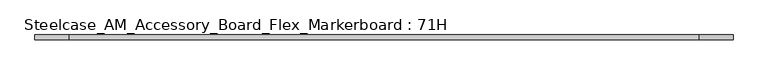
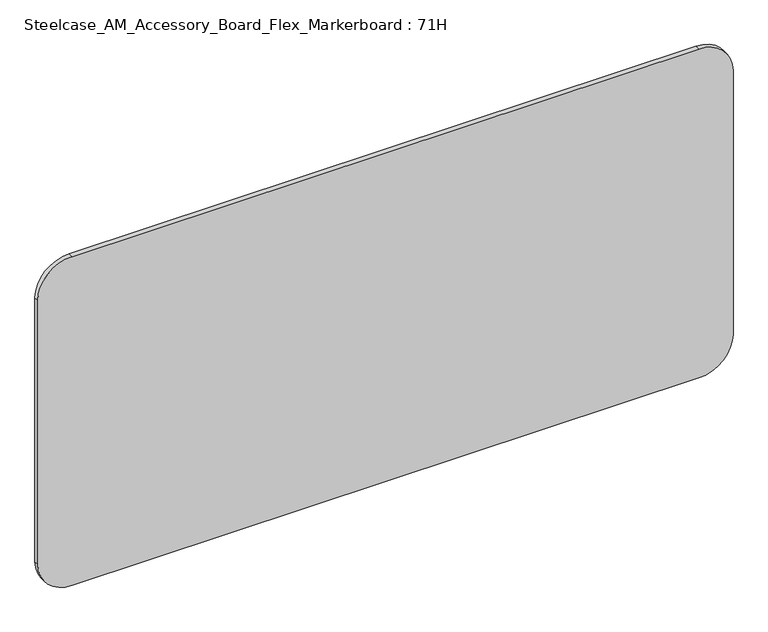
"""IFC4 building model written with IfcOpenShell, lengths in millimetres: furniture geometry, Steelcase_AM_Accessory_Board_Flex_Markerboard : 71H."""

import ifcopenshell
import ifcopenshell.guid

model = None  # the IFC model being written
_history = None  # IfcOwnerHistory: only IFC2X3 demands one
_inside = {}  # id of a spatial element -> (the spatial element, [elements in it])
_under = {}  # id of a project, library or spatial element -> (it, [spatial elements below it])
_declared = {}  # id of a project -> (the project, [libraries it declares])
_typed = {}  # id of a type object -> (the type object, [elements of that type])
_made_of = {}  # id of a material, layer set ... -> (it, [elements and type objects made of it])


def new_model(schema):
    """Start an empty IFC model of exactly this schema.

    Asked for "IFC4X3", IfcOpenShell would pick the latest addendum, in which some entities
    have other attributes; the version numbers below select the first issue.
    IFC2X3 requires an IfcOwnerHistory on every rooted entity: one is made here for all.
    """
    global model, _history
    if schema == "IFC4X3":
        model = ifcopenshell.file(schema_version=(4, 3, 0, 0))
    else:
        model = ifcopenshell.file(schema=schema)
    _inside.clear()
    _under.clear()
    _declared.clear()
    _typed.clear()
    _made_of.clear()
    _history = None
    if model.schema == "IFC2X3":
        org = make("IfcOrganization", Name="unknown")
        user = make(
            "IfcPersonAndOrganization",
            ThePerson=make("IfcPerson", FamilyName="unknown"),
            TheOrganization=org,
        )
        app = make(
            "IfcApplication",
            ApplicationDeveloper=org,
            Version="unknown",
            ApplicationFullName="unknown",
            ApplicationIdentifier="unknown",
        )
        _history = make(
            "IfcOwnerHistory",
            OwningUser=user,
            OwningApplication=app,
            ChangeAction="ADDED",
            CreationDate=0,
        )
    return model


def make(cls, **values):
    """One entity of the class cls with the attributes given. An attribute that is None is left unset."""
    return model.create_entity(
        cls, **{name: value for name, value in values.items() if value is not None}
    )


def rooted(cls, **values):
    """An entity with a GlobalId (a new one), such as an element, a storey or a relation."""
    return make(cls, GlobalId=ifcopenshell.guid.new(), OwnerHistory=_history, **values)


def si_unit(unit_type, name, prefix=None):
    """IfcSIUnit, for example si_unit("LENGTHUNIT", "METRE", prefix="MILLI")."""
    return make("IfcSIUnit", UnitType=unit_type, Prefix=prefix, Name=name)


def assignment(units):
    """IfcUnitAssignment: the units of a project."""
    return None if units is None else make("IfcUnitAssignment", Units=units)


def point(xyz):
    """IfcCartesianPoint."""
    return None if xyz is None else make("IfcCartesianPoint", Coordinates=xyz)


def direction(xyz):
    """IfcDirection."""
    return None if xyz is None else make("IfcDirection", DirectionRatios=xyz)


def frame(location, z_axis=None, x_axis=None):
    """IfcAxis2Placement3D, a coordinate frame: its origin and axes. An axis left out is left unset."""
    return make(
        "IfcAxis2Placement3D",
        Location=point(location),
        Axis=direction(z_axis),
        RefDirection=direction(x_axis),
    )


def frame_2d(location, x_axis=None):
    """IfcAxis2Placement2D, a coordinate frame in the plane: its origin and x axis."""
    return make(
        "IfcAxis2Placement2D", Location=point(location), RefDirection=direction(x_axis)
    )


def origin():
    """The frame at (0, 0, 0) with its axes left unset."""
    return frame((0.0, 0.0, 0.0))


def place(relative_to, where):
    """IfcLocalPlacement: puts the frame where relative to a parent placement (None: the world)."""
    return make(
        "IfcLocalPlacement", PlacementRelTo=relative_to, RelativePlacement=where
    )


def context(
    kind, dimensions, precision=None, world=None, true_north=None, identifier=None
):
    """IfcGeometricRepresentationContext, for example the 3D "Model" context."""
    return make(
        "IfcGeometricRepresentationContext",
        ContextIdentifier=identifier,
        ContextType=kind,
        CoordinateSpaceDimension=dimensions,
        Precision=precision,
        WorldCoordinateSystem=world,
        TrueNorth=true_north,
    )


def project(units=None, contexts=None):
    """IfcProject with its units and contexts."""
    return rooted(
        "IfcProject",
        Name="project",
        RepresentationContexts=contexts,
        UnitsInContext=assignment(units),
    )


def spatial(cls, under=None, at=None, **own):
    """A site, building, storey or space (cls), placed at a placement, below another one or the project."""
    s = rooted(cls, ObjectPlacement=at, **own)
    if under is not None:
        _under.setdefault(under.id(), (under, []))[1].append(s)
    return s


def polyline(points):
    """IfcPolyline through the points."""
    return make("IfcPolyline", Points=[point(p) for p in points])


def circle_curve(where, radius):
    """IfcCircle in the frame where."""
    return make("IfcCircle", Position=where, Radius=radius)


def trimmed(basis, trim1, trim2, sense, master):
    """IfcTrimmedCurve: the piece of a basis curve between two trims."""
    return make(
        "IfcTrimmedCurve",
        BasisCurve=basis,
        Trim1=trim1,
        Trim2=trim2,
        SenseAgreement=sense,
        MasterRepresentation=master,
    )


def segment(curve, same_sense, transition):
    """IfcCompositeCurveSegment."""
    return make(
        "IfcCompositeCurveSegment",
        Transition=transition,
        SameSense=same_sense,
        ParentCurve=curve,
    )


def composite_curve(segments, self_intersect=None):
    """IfcCompositeCurve: segments joined end to end."""
    return make("IfcCompositeCurve", Segments=segments, SelfIntersect=self_intersect)


def outline(outer, holes=None, kind="AREA"):
    """IfcArbitraryClosedProfileDef: a profile drawn as a closed curve; with holes, ...WithVoids."""
    if holes is None:
        return make("IfcArbitraryClosedProfileDef", ProfileType=kind, OuterCurve=outer)
    return make(
        "IfcArbitraryProfileDefWithVoids",
        ProfileType=kind,
        OuterCurve=outer,
        InnerCurves=holes,
    )


def extrude(swept, where, along, depth):
    """IfcExtrudedAreaSolid: the profile swept, set in the frame where, extruded along a direction by depth."""
    return make(
        "IfcExtrudedAreaSolid",
        SweptArea=swept,
        Position=where,
        ExtrudedDirection=direction(along),
        Depth=depth,
    )


def shape(context_of_items, identifier, shape_type, items):
    """IfcShapeRepresentation: the items that make up one representation, for example the "Body"."""
    return make(
        "IfcShapeRepresentation",
        ContextOfItems=context_of_items,
        RepresentationIdentifier=identifier,
        RepresentationType=shape_type,
        Items=items,
    )


def source(mapping_origin, context_of_items, identifier, shape_type, items):
    """IfcRepresentationMap: a shape defined once, which mapped items show again and again."""
    return make(
        "IfcRepresentationMap",
        MappingOrigin=mapping_origin,
        MappedRepresentation=shape(context_of_items, identifier, shape_type, items),
    )


def transform(
    local_origin,
    x_axis=None,
    y_axis=None,
    z_axis=None,
    scale=None,
    scale2=None,
    scale3=None,
    uniform=True,
):
    """IfcCartesianTransformationOperator3D, or its non-uniform kind. x_axis, y_axis, z_axis: its Axis1, 2, 3."""
    if uniform:
        return make(
            "IfcCartesianTransformationOperator3D",
            Axis1=direction(x_axis),
            Axis2=direction(y_axis),
            LocalOrigin=point(local_origin),
            Scale=scale,
            Axis3=direction(z_axis),
        )
    return make(
        "IfcCartesianTransformationOperator3DnonUniform",
        Axis1=direction(x_axis),
        Axis2=direction(y_axis),
        LocalOrigin=point(local_origin),
        Scale=scale,
        Axis3=direction(z_axis),
        Scale2=scale2,
        Scale3=scale3,
    )


def mapped(mapping_source, mapping_target):
    """IfcMappedItem: shows the shape of a source again, moved by a transform."""
    return make(
        "IfcMappedItem", MappingSource=mapping_source, MappingTarget=mapping_target
    )


def made_of(thing, what):
    """Note that an element or type object is made of a material, layer set ...; save() writes the relation."""
    if what is not None:
        _made_of.setdefault(what.id(), (what, []))[1].append(thing)
    return thing


def element(
    cls,
    number,
    at=None,
    inside=None,
    cuts=None,
    type_object=None,
    material=None,
    context=None,
    identifier="Body",
    shape_type=None,
    held_by="IfcProductDefinitionShape",
    body=None,
    shapes=None,
    **own,
):
    """One element of the class cls, such as IfcWall. Its Tag is "e" and its number.

    at: its placement. inside: the storey or other place that contains it. cuts: it is an
    opening in that element (IfcRelVoidsElement). A single representation is given by context,
    identifier, shape_type and body (its items); several are given by shapes. held_by: the class
    of the entity that holds the representations. save() writes the other relations.
    """
    e = rooted(cls, Tag="e%d" % number, ObjectPlacement=at, **own)
    if body is not None:
        shapes = [shape(context, identifier, shape_type, body)]
    if shapes is not None:
        e.Representation = make(held_by, Representations=shapes)
    if inside is not None:
        _inside.setdefault(inside.id(), (inside, []))[1].append(e)
    if cuts is not None:
        rooted(
            "IfcRelVoidsElement", RelatingBuildingElement=cuts, RelatedOpeningElement=e
        )
    if type_object is not None:
        _typed.setdefault(type_object.id(), (type_object, []))[1].append(e)
    return made_of(e, material)


def aggregate(whole, parts):
    """IfcRelAggregates: a whole, such as a stair, and the parts it consists of."""
    return rooted("IfcRelAggregates", RelatingObject=whole, RelatedObjects=parts)


def save(model, path):
    """Write the relations noted so far, then the file.

    IfcRelAggregates (storeys below a building ...), IfcRelContainedInSpatialStructure (elements
    in a storey), IfcRelDefinesByType, IfcRelAssociatesMaterial and IfcRelDeclares: one each for
    every whole, place, type object, material and project.
    """
    for whole, parts in _under.values():
        aggregate(whole, parts)
    for where, things in _inside.values():
        rooted(
            "IfcRelContainedInSpatialStructure",
            RelatedElements=things,
            RelatingStructure=where,
        )
    for kind, things in _typed.values():
        rooted("IfcRelDefinesByType", RelatedObjects=things, RelatingType=kind)
    for what, things in _made_of.values():
        rooted("IfcRelAssociatesMaterial", RelatedObjects=things, RelatingMaterial=what)
    for by, libraries in _declared.values():
        rooted("IfcRelDeclares", RelatingContext=by, RelatedDefinitions=libraries)
    model.write(path)


def steelcase_am_accessory_board_flex_markerboard_71h_85eddd81(model_context):
    return source(origin(), model_context, "Body", "SweptSolid", [
        extrude(outline(composite_curve([segment(polyline([(901.7, 1714.5), (901.7, 88.9)]), True, "CONTINUOUS"), segment(trimmed(circle_curve(frame_2d((812.8, 88.9)), 88.9), [point((901.7, 88.9))], [point((812.8, 0.0))], False, "CARTESIAN"), True, "CONTINUOUS"), segment(polyline([(812.8, 0.0), (88.9, 0.0)]), True, "CONTINUOUS"), segment(trimmed(circle_curve(frame_2d((88.9, 88.9)), 88.9), [point((88.9, 0.0))], [point((0.0, 88.9))], False, "CARTESIAN"), True, "CONTINUOUS"), segment(polyline([(0.0, 88.9), (0.0, 1714.5)]), True, "CONTINUOUS"), segment(trimmed(circle_curve(frame_2d((88.9, 1714.5)), 88.9), [point((0.0, 1714.5))], [point((88.9, 1803.4))], False, "CARTESIAN"), True, "CONTINUOUS"), segment(polyline([(88.9, 1803.4), (812.8, 1803.4)]), True, "CONTINUOUS"), segment(trimmed(circle_curve(frame_2d((812.8, 1714.5)), 88.9), [point((812.8, 1803.4))], [point((901.7, 1714.5))], False, "CARTESIAN"), True, "CONTINUOUS")], self_intersect=False)), frame((0.0, -12.6933061, 0.0), z_axis=(0.0, 1.0, 0.0), x_axis=(0.0, 0.0, 1.0)), (0.0, 0.0, 1.0), 12.6933061),
    ])


if __name__ == "__main__":
    model = new_model("IFC4")
    model_context = context("Model", 3, world=origin())
    ifc_project = project(units=[si_unit("LENGTHUNIT", "METRE", prefix="MILLI")], contexts=[model_context])
    site = spatial("IfcSite", under=ifc_project)
    building = spatial("IfcBuilding", under=site)
    placement = place(None, origin())
    steelcase_am_accessory_board_flex_markerboard_71h_shape = steelcase_am_accessory_board_flex_markerboard_71h_85eddd81(model_context)
    element("IfcFurniture", 1, ObjectType="Steelcase_AM_Accessory_Board_Flex_Markerboard : 71H", at=placement, inside=building, context=model_context, shape_type="MappedRepresentation", body=[
        mapped(steelcase_am_accessory_board_flex_markerboard_71h_shape, transform((0.0, 0.0, 0.0), x_axis=(1.0, 0.0, 0.0), y_axis=(0.0, 1.0, 0.0), z_axis=(0.0, 0.0, 1.0))),
    ])
    save(model, "model.ifc")
